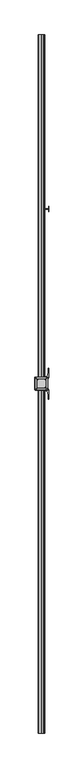
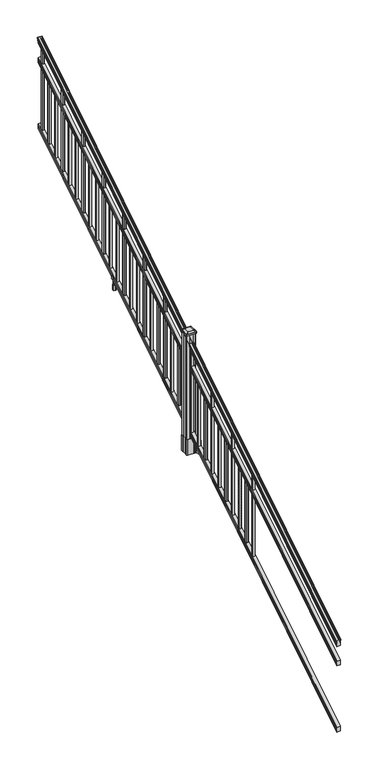
"""IFC4 building model written with IfcOpenShell, lengths in millimetres: railing geometry."""

from ifc_helpers import new_model, si_unit, point, frame, frame_2d, origin, place, context, project, spatial, polyline, circle_curve, ellipse_curve, trimmed, segment, composite_curve, outline, extrude, faceted_brep, source, transform, mapped, element, save
from ifc_brep_helpers import plane_surface, cylinder_surface, revolved_surface, extruded_surface, advanced_brep


def railing_0a3d0375(model_context):
    return source(origin(), model_context, "Body", "SolidModel", [
        advanced_brep(
        [(7294.632944, -115957.2628453, 1133.2070492), (7297.2067728, -115957.2628453, 1133.2070492), (7297.2067728, -115957.2628453, 1120.6394336), (7296.1907728, -115957.2628453, 1119.441318), (7296.1907728, -115957.2628453, 1104.9), (7327.9407728, -115957.2628453, 1104.9), (7327.9407728, -115957.2628453, 1119.6274214), (7326.9247728, -115957.2628453, 1120.825537), (7326.9247728, -115957.2628453, 1133.2070492), (7329.4986015, -115957.2628453, 1133.2070492), (7329.4986015, -115957.2628453, 1135.4335658), (7330.6287878, -115957.2628453, 1137.2758543), (7330.6287878, -115957.2628453, 1145.7876358), (7329.9795314, -115957.2628453, 1148.6572588), (7332.4795314, -115957.2628453, 1153.7635509), (7333.8888739, -115957.2628453, 1155.7442021), (7334.2907729, -115957.2628453, 1157.0469579), (7334.2907728, -115957.2628453, 1158.6274846), (7332.7373255, -115957.2628453, 1160.4593836), (7312.0657728, -115957.2628453, 1160.4593836), (7291.39422, -115957.2628453, 1160.4593836), (7289.8407728, -115957.2628453, 1158.6274846), (7289.8407728, -115957.2628453, 1157.0469579), (7290.2426717, -115957.2628453, 1155.7442021), (7291.6520141, -115957.2628453, 1153.7635509), (7294.1520141, -115957.2628453, 1148.6572588), (7293.5027577, -115957.2628453, 1145.7876358), (7293.5027577, -115957.2628453, 1137.2758543), (7294.632944, -115957.2628453, 1135.4335658), (7294.632944, -111080.4628453, 4181.2070492), (7294.632944, -111080.4628453, 4183.4335658), (7293.5027577, -111080.4628453, 4185.2758543), (7293.5027577, -111080.4628453, 4193.7876358), (7294.1520141, -111080.4628453, 4196.6572588), (7291.6520141, -111080.4628453, 4201.7635509), (7290.2426717, -111080.4628453, 4203.7442021), (7289.8407727, -111080.4628453, 4205.0469579), (7289.8407728, -111080.4628453, 4206.6274846), (7291.39422, -111080.4628453, 4208.4593836), (7312.0657728, -111080.4628453, 4208.4593836), (7332.7373255, -111080.4628453, 4208.4593836), (7334.2907728, -111080.4628453, 4206.6274846), (7334.2907728, -111080.4628453, 4205.0469579), (7333.8888739, -111080.4628453, 4203.7442021), (7332.4795314, -111080.4628453, 4201.7635509), (7329.9795314, -111080.4628453, 4196.6572588), (7330.6287878, -111080.4628453, 4193.7876358), (7330.6287878, -111080.4628453, 4185.2758543), (7329.4986015, -111080.4628453, 4183.4335658), (7329.4986015, -111080.4628453, 4181.2070492), (7326.9247728, -111080.4628453, 4181.2070492), (7326.9247728, -111080.4628453, 4168.825537), (7327.9407728, -111080.4628453, 4167.6274214), (7327.9407728, -111080.4628453, 4152.9), (7296.1907728, -111080.4628453, 4152.9), (7296.1907728, -111080.4628453, 4167.441318), (7297.2067728, -111080.4628453, 4168.6394336), (7297.2067728, -111080.4628453, 4181.2070492)],
        [
            (0, 1, ellipse_curve(frame((7295.9198584, -115957.2628453, 1133.2070492), z_axis=(0.0, -1.0, 0.0), x_axis=(0.0, 0.0, -1.0)), 1.5175907, 1.2869144)),
            (1, 2),
            (2, 3),
            (3, 4),
            (4, 5),
            (5, 6),
            (6, 7),
            (7, 8),
            (8, 9, ellipse_curve(frame((7328.2116871, -115957.2628453, 1133.2070492), z_axis=(0.0, -1.0, 0.0), x_axis=(0.0, 0.0, -1.0)), 1.5175907, 1.2869144)),
            (9, 10),
            (10, 11, ellipse_curve(frame((7323.1838482, -115957.2628453, 1142.2239405), z_axis=(0.0, -1.0, 0.0), x_axis=(0.0, 0.0, -1.0)), 10.0777926, 8.545951)),
            (11, 12, ellipse_curve(frame((7323.6209112, -115957.2628453, 1141.5317451), z_axis=(0.0, -1.0, 0.0), x_axis=(0.0, 0.0, -1.0)), 9.2955186, 7.882584)),
            (12, 13, ellipse_curve(frame((7334.1342353, -115957.2628453, 1148.4275077), z_axis=(0.0, 1.0, 0.0), x_axis=(0.0, 0.0, 1.0)), 4.9048088, 4.1592695)),
            (13, 14, ellipse_curve(frame((7335.4215419, -115957.2628453, 1148.3563208), z_axis=(0.0, 1.0, 0.0), x_axis=(0.0, 0.0, 1.0)), 6.4245301, 5.4479907)),
            (14, 15, ellipse_curve(frame((7334.1883834, -115957.2628453, 1153.7602333), z_axis=(0.0, 1.0, 0.0), x_axis=(0.0, 0.0, 1.0)), 2.0151625, 1.7088543)),
            (15, 16, ellipse_curve(frame((7332.5714833, -115957.2628453, 1157.0469579), z_axis=(0.0, -1.0, 0.0), x_axis=(0.0, 0.0, -1.0)), 2.0274681, 1.7192895)),
            (16, 17),
            (17, 18, ellipse_curve(frame((7332.7373255, -115957.2628453, 1158.6274846), z_axis=(0.0, -1.0, 0.0), x_axis=(0.0, 0.0, -1.0)), 1.831899, 1.5534472)),
            (18, 19),
            (19, 20),
            (20, 21, ellipse_curve(frame((7291.39422, -115957.2628453, 1158.6274846), z_axis=(0.0, -1.0, 0.0), x_axis=(0.0, 0.0, -1.0)), 1.831899, 1.5534472)),
            (21, 22),
            (22, 23, ellipse_curve(frame((7291.5600622, -115957.2628453, 1157.0469579), z_axis=(0.0, -1.0, 0.0), x_axis=(0.0, 0.0, -1.0)), 2.0274681, 1.7192895)),
            (23, 24, ellipse_curve(frame((7289.9431621, -115957.2628453, 1153.7602333), z_axis=(0.0, 1.0, 0.0), x_axis=(0.0, 0.0, 1.0)), 2.0151625, 1.7088543)),
            (24, 25, ellipse_curve(frame((7288.7100037, -115957.2628453, 1148.3563208), z_axis=(0.0, 1.0, 0.0), x_axis=(0.0, 0.0, 1.0)), 6.4245301, 5.4479907)),
            (25, 26, ellipse_curve(frame((7289.9973102, -115957.2628453, 1148.4275077), z_axis=(0.0, 1.0, 0.0), x_axis=(0.0, 0.0, 1.0)), 4.9048088, 4.1592695)),
            (26, 27, ellipse_curve(frame((7300.5106343, -115957.2628453, 1141.5317451), z_axis=(0.0, -1.0, 0.0), x_axis=(0.0, 0.0, -1.0)), 9.2955186, 7.882584)),
            (27, 28, ellipse_curve(frame((7300.9476973, -115957.2628453, 1142.2239405), z_axis=(0.0, -1.0, 0.0), x_axis=(0.0, 0.0, -1.0)), 10.0777926, 8.545951)),
            (28, 0),
            (29, 30),
            (30, 31, ellipse_curve(frame((7300.9476973, -111080.4628453, 4190.2239405), z_axis=(0.0, 1.0, 0.0), x_axis=(0.0, 0.0, -1.0)), 10.0777926, 8.545951)),
            (31, 32, ellipse_curve(frame((7300.5106343, -111080.4628453, 4189.5317451), z_axis=(0.0, 1.0, 0.0), x_axis=(0.0, 0.0, -1.0)), 9.2955186, 7.882584)),
            (32, 33, ellipse_curve(frame((7289.9973102, -111080.4628453, 4196.4275077), z_axis=(0.0, -1.0, 0.0), x_axis=(0.0, 0.0, 1.0)), 4.9048088, 4.1592695)),
            (33, 34, ellipse_curve(frame((7288.7100037, -111080.4628453, 4196.3563208), z_axis=(0.0, -1.0, 0.0), x_axis=(0.0, 0.0, 1.0)), 6.4245301, 5.4479907)),
            (34, 35, ellipse_curve(frame((7289.9431621, -111080.4628453, 4201.7602333), z_axis=(0.0, -1.0, 0.0), x_axis=(0.0, 0.0, 1.0)), 2.0151625, 1.7088543)),
            (35, 36, ellipse_curve(frame((7291.5600622, -111080.4628453, 4205.0469579), z_axis=(0.0, 1.0, 0.0), x_axis=(0.0, 0.0, -1.0)), 2.0274681, 1.7192895)),
            (36, 37),
            (37, 38, ellipse_curve(frame((7291.39422, -111080.4628453, 4206.6274846), z_axis=(0.0, 1.0, 0.0), x_axis=(0.0, 0.0, -1.0)), 1.831899, 1.5534472)),
            (38, 39),
            (39, 40),
            (40, 41, ellipse_curve(frame((7332.7373255, -111080.4628453, 4206.6274846), z_axis=(0.0, 1.0, 0.0), x_axis=(0.0, 0.0, -1.0)), 1.831899, 1.5534472)),
            (41, 42),
            (42, 43, ellipse_curve(frame((7332.5714833, -111080.4628453, 4205.0469579), z_axis=(0.0, 1.0, 0.0), x_axis=(0.0, 0.0, -1.0)), 2.0274681, 1.7192895)),
            (43, 44, ellipse_curve(frame((7334.1883834, -111080.4628453, 4201.7602333), z_axis=(0.0, -1.0, 0.0), x_axis=(0.0, 0.0, 1.0)), 2.0151625, 1.7088543)),
            (44, 45, ellipse_curve(frame((7335.4215419, -111080.4628453, 4196.3563208), z_axis=(0.0, -1.0, 0.0), x_axis=(0.0, 0.0, 1.0)), 6.4245301, 5.4479907)),
            (45, 46, ellipse_curve(frame((7334.1342353, -111080.4628453, 4196.4275077), z_axis=(0.0, -1.0, 0.0), x_axis=(0.0, 0.0, 1.0)), 4.9048088, 4.1592695)),
            (46, 47, ellipse_curve(frame((7323.6209112, -111080.4628453, 4189.5317451), z_axis=(0.0, 1.0, 0.0), x_axis=(0.0, 0.0, -1.0)), 9.2955186, 7.882584)),
            (47, 48, ellipse_curve(frame((7323.1838482, -111080.4628453, 4190.2239405), z_axis=(0.0, 1.0, 0.0), x_axis=(0.0, 0.0, -1.0)), 10.0777926, 8.545951)),
            (48, 49),
            (49, 50, ellipse_curve(frame((7328.2116871, -111080.4628453, 4181.2070492), z_axis=(0.0, 1.0, 0.0), x_axis=(0.0, 0.0, -1.0)), 1.5175907, 1.2869144)),
            (50, 51),
            (51, 52),
            (52, 53),
            (53, 54),
            (54, 55),
            (55, 56),
            (56, 57),
            (57, 29, ellipse_curve(frame((7295.9198584, -111080.4628453, 4181.2070492), z_axis=(0.0, 1.0, 0.0), x_axis=(0.0, 0.0, -1.0)), 1.5175907, 1.2869144)),
            (28, 30),
            (29, 0),
            (27, 31),
            (26, 32),
            (25, 33),
            (24, 34),
            (23, 35),
            (22, 36),
            (21, 37),
            (20, 38),
            (19, 39),
            (18, 40),
            (17, 41),
            (16, 42),
            (15, 43),
            (14, 44),
            (13, 45),
            (12, 46),
            (11, 47),
            (10, 48),
            (9, 49),
            (8, 50),
            (7, 51),
            (6, 52),
            (5, 53),
            (4, 54),
            (3, 55),
            (2, 56),
            (1, 57),
        ],
        [
            plane_surface(frame((7312.0657728, -115957.2628453, 1104.9), z_axis=(0.0, -1.0, 0.0), x_axis=(0.0, 0.0, 1.0))),
            plane_surface(frame((7312.0657728, -111080.4628453, 4152.9), z_axis=(0.0, 1.0, 0.0), x_axis=(0.0, 0.0, 1.0))),
            plane_surface(frame((7294.632944, -115957.2628453, 1135.4335658), z_axis=(-1.0, 0.0, 0.0), x_axis=(0.0, 0.8479983040051252, 0.5299989400031204))),
            cylinder_surface(frame((7300.9476973, -115974.03765, 1131.7396876), z_axis=(0.0, -0.8479983040051253, -0.5299989400031204), x_axis=(1.0, 0.0, 0.0)), 8.545951),
            cylinder_surface(frame((7300.5106343, -115973.7265509, 1131.241929), z_axis=(0.0, -0.8479983040051253, -0.5299989400031204), x_axis=(1.0, 0.0, 0.0)), 7.882584),
            revolved_surface(polyline([(7294.1565797, -111078.25843685034, 4197.805262980552), (7294.1565797, -115959.46725374945, 1147.0497524190953)]), (7289.9973102, -115976.8257701, 1136.2006797), (0.0, 0.8479983040051253, 0.5299989400031204)),
            revolved_surface(polyline([(7294.1579944000005, -111077.57541603575, 4198.160964077185), (7294.1579944000005, -115960.15027455281, 1146.551677504493)]), (7288.7100037, -115976.793776, 1136.1494891), (0.0, 0.8479983040051253, 0.5299989400031204)),
            revolved_surface(polyline([(7291.6520164, -111079.55715429978, 4202.326290199651), (7291.6520164, -115958.16853632247, 1153.1941764359478)]), (7289.9431621, -115979.2225007, 1140.0354487), (0.0, 0.8479983040051253, 0.5299989400031204)),
            cylinder_surface(frame((7291.5600622, -115980.6996803, 1142.398936), z_axis=(0.0, -0.8479983040051253, -0.5299989400031204), x_axis=(1.0, 0.0, 0.0)), 1.7192895),
            plane_surface(frame((7289.8407728, -115957.2628453, 1158.6274846), z_axis=(-1.0, 0.0, 0.0), x_axis=(0.0, 0.8479983040051252, 0.5299989400031204))),
            cylinder_surface(frame((7291.39422, -115981.4100294, 1143.5354945), z_axis=(0.0, -0.8479983040051253, -0.5299989400031204), x_axis=(1.0, 0.0, 0.0)), 1.5534472),
            plane_surface(frame((7312.0657728, -115957.2628453, 1160.4593836), z_axis=(0.0, -0.5299989400031204, 0.8479983040051252), x_axis=(0.0, 0.8479983040051252, 0.5299989400031204))),
            plane_surface(frame((7332.7373255, -115957.2628453, 1160.4593836), z_axis=(0.0, -0.5299989400031204, 0.8479983040051252), x_axis=(0.0, 0.8479983040051252, 0.5299989400031204))),
            cylinder_surface(frame((7332.7373255, -115981.4100294, 1143.5354945), z_axis=(0.0, -0.8479983040051253, -0.5299989400031204), x_axis=(-1.0, 0.0, 0.0)), 1.5534472),
            plane_surface(frame((7334.2907728, -115957.2628453, 1157.0469579), z_axis=(1.0000000000000002, 0.0, 0.0), x_axis=(0.0, 0.8479983040051253, 0.5299989400031204))),
            cylinder_surface(frame((7332.5714833, -115980.6996803, 1142.398936), z_axis=(0.0, -0.8479983040051253, -0.5299989400031204), x_axis=(-1.0, 0.0, 0.0)), 1.7192895),
            revolved_surface(polyline([(7332.4795291, -111079.55715429978, 4202.326290199651), (7332.4795291, -115958.16853632247, 1153.1941764359478)]), (7334.1883834, -115979.2225007, 1140.0354487), (0.0, 0.8479983040051253, 0.5299989400031204)),
            revolved_surface(polyline([(7329.9735512, -111077.57541603575, 4198.160964077185), (7329.9735512, -115960.15027455281, 1146.551677504493)]), (7335.4215419, -115976.793776, 1136.1494891), (0.0, 0.8479983040051253, 0.5299989400031204)),
            revolved_surface(polyline([(7329.9749658, -111078.25843685034, 4197.805262980552), (7329.9749658, -115959.46725374945, 1147.0497524190953)]), (7334.1342353, -115976.8257701, 1136.2006797), (0.0, 0.8479983040051253, 0.5299989400031204)),
            cylinder_surface(frame((7323.6209112, -115973.7265509, 1131.241929), z_axis=(0.0, -0.8479983040051253, -0.5299989400031204), x_axis=(-1.0, 0.0, 0.0)), 7.882584),
            cylinder_surface(frame((7323.1838482, -115974.03765, 1131.7396876), z_axis=(0.0, -0.8479983040051253, -0.5299989400031204), x_axis=(-1.0, 0.0, 0.0)), 8.545951),
            plane_surface(frame((7329.4986015, -115957.2628453, 1133.2070492), z_axis=(1.0, 0.0, 0.0), x_axis=(0.0, 0.8479983040051252, 0.5299989400031204))),
            cylinder_surface(frame((7328.2116871, -115969.9851146, 1125.2556309), z_axis=(0.0, -0.8479983040051253, -0.5299989400031204), x_axis=(-1.0, 0.0, 0.0)), 1.2869144),
            plane_surface(frame((7326.9247728, -115957.2628453, 1120.825537), z_axis=(1.0, 0.0, 0.0), x_axis=(0.0, 0.8479983040051252, 0.5299989400031204))),
            plane_surface(frame((7327.9407728, -115957.2628453, 1119.6274214), z_axis=(0.7071067811865426, -0.3747658444978921, 0.5996253511967194), x_axis=(0.0, 0.8479983040051253, 0.5299989400031204))),
            plane_surface(frame((7327.9407728, -115957.2628453, 1104.9), z_axis=(1.0, 0.0, 0.0), x_axis=(0.0, 0.8479983040051252, 0.5299989400031204))),
            plane_surface(frame((7296.1907728, -115957.2628453, 1104.9), z_axis=(0.0, 0.5299989400031204, -0.8479983040051252), x_axis=(0.0, 0.8479983040051252, 0.5299989400031204))),
            plane_surface(frame((7296.1907728, -115957.2628453, 1119.441318), z_axis=(-1.0000000000000002, 0.0, 0.0), x_axis=(0.0, 0.8479983040051253, 0.5299989400031204))),
            plane_surface(frame((7297.2067728, -115957.2628453, 1120.6394336), z_axis=(-0.7071067811865401, -0.3747658444978918, 0.5996253511967223), x_axis=(0.0, 0.8479983040051253, 0.5299989400031204))),
            plane_surface(frame((7297.2067728, -115957.2628453, 1133.2070492), z_axis=(-1.0, 0.0, 0.0), x_axis=(0.0, 0.8479983040051252, 0.5299989400031204))),
            cylinder_surface(frame((7295.9198584, -115969.9851146, 1125.2556309), z_axis=(0.0, -0.8479983040051253, -0.5299989400031204), x_axis=(1.0, 0.0, 0.0)), 1.2869144),
        ],
        [
            (0, [[1, 2, 3, 4, 5, 6, 7, 8, 9, 10, 11, 12, 13, 14, 15, 16, 17, 18, 19, 20, 21, 22, 23, 24, 25, 26, 27, 28, 29]]),
            (1, [[30, 31, 32, 33, 34, 35, 36, 37, 38, 39, 40, 41, 42, 43, 44, 45, 46, 47, 48, 49, 50, 51, 52, 53, 54, 55, 56, 57, 58]]),
            (2, [[-29, 59, -30, 60]]),
            (3, [[-28, 61, -31, -59]]),
            (4, [[-27, 62, -32, -61]]),
            (5, [[-26, 63, -33, -62]]),
            (6, [[-25, 64, -34, -63]]),
            (7, [[-24, 65, -35, -64]]),
            (8, [[-23, 66, -36, -65]]),
            (9, [[-22, 67, -37, -66]]),
            (10, [[-21, 68, -38, -67]]),
            (11, [[-20, 69, -39, -68]]),
            (12, [[-19, 70, -40, -69]]),
            (13, [[-18, 71, -41, -70]]),
            (14, [[-17, 72, -42, -71]]),
            (15, [[-16, 73, -43, -72]]),
            (16, [[-15, 74, -44, -73]]),
            (17, [[-14, 75, -45, -74]]),
            (18, [[-13, 76, -46, -75]]),
            (19, [[-12, 77, -47, -76]]),
            (20, [[-11, 78, -48, -77]]),
            (21, [[-10, 79, -49, -78]]),
            (22, [[-9, 80, -50, -79]]),
            (23, [[-8, 81, -51, -80]]),
            (24, [[-7, 82, -52, -81]]),
            (25, [[-6, 83, -53, -82]]),
            (26, [[-5, 84, -54, -83]]),
            (27, [[-4, 85, -55, -84]]),
            (28, [[-3, 86, -56, -85]]),
            (29, [[-2, 87, -57, -86]]),
            (30, [[-1, -60, -58, -87]]),
        ],
    ),
        faceted_brep([(7296.1532859, -115957.2628453, 929.2045079), (7296.1532859, -115957.2628453, 914.4), (7327.9032859, -115957.2628453, 914.4), (7327.9032859, -115957.2628453, 929.1848772), (7326.8872859, -115957.2628453, 930.7748303), (7326.8872859, -115957.2628453, 942.9348741), (7327.9032859, -115957.2628453, 944.5248272), (7327.9032859, -115957.2628453, 959.3244744), (7296.1532859, -115957.2628453, 959.3244744), (7296.1532859, -115957.2628453, 944.5444579), (7297.1692859, -115957.2628453, 942.9545048), (7297.1692859, -115957.2628453, 930.738026), (7296.1532859, -111080.4628453, 3977.2045079), (7297.1692859, -111080.4628453, 3978.738026), (7297.1692859, -111080.4628453, 3990.9545048), (7296.1532859, -111080.4628453, 3992.5444579), (7296.1532859, -111080.4628453, 4007.3244744), (7327.9032859, -111080.4628453, 4007.3244744), (7327.9032859, -111080.4628453, 3992.5248272), (7326.8872859, -111080.4628453, 3990.9348741), (7326.8872859, -111080.4628453, 3978.7748303), (7327.9032859, -111080.4628453, 3977.1848772), (7327.9032859, -111080.4628453, 3962.4), (7296.1532859, -111080.4628453, 3962.4)], [[[0, 1, 2, 3, 4, 5, 6, 7, 8, 9, 10, 11]], [[12, 13, 14, 15, 16, 17, 18, 19, 20, 21, 22, 23]], [[0, 11, 13, 12]], [[11, 10, 14, 13]], [[10, 9, 15, 14]], [[9, 8, 16, 15]], [[8, 7, 17, 16]], [[7, 6, 18, 17]], [[6, 5, 19, 18]], [[5, 4, 20, 19]], [[4, 3, 21, 20]], [[3, 2, 22, 21]], [[2, 1, 23, 22]], [[1, 0, 12, 23]]]),
        faceted_brep([(7296.1532859, -115957.2628453, 268.8045079), (7296.1532859, -115957.2628453, 254.0), (7327.9032859, -115957.2628453, 254.0), (7327.9032859, -115957.2628453, 268.7848772), (7326.8872859, -115957.2628453, 270.3748303), (7326.8872859, -115957.2628453, 282.5348741), (7327.9032859, -115957.2628453, 284.1248272), (7327.9032859, -115957.2628453, 298.9244744), (7296.1532859, -115957.2628453, 298.9244744), (7296.1532859, -115957.2628453, 284.1444579), (7297.1692859, -115957.2628453, 282.5545048), (7297.1692859, -115957.2628453, 270.338026), (7296.1532859, -111080.4628453, 3316.8045079), (7297.1692859, -111080.4628453, 3318.338026), (7297.1692859, -111080.4628453, 3330.5545048), (7296.1532859, -111080.4628453, 3332.1444579), (7296.1532859, -111080.4628453, 3346.9244744), (7327.9032859, -111080.4628453, 3346.9244744), (7327.9032859, -111080.4628453, 3332.1248272), (7326.8872859, -111080.4628453, 3330.5348741), (7326.8872859, -111080.4628453, 3318.3748303), (7327.9032859, -111080.4628453, 3316.7848772), (7327.9032859, -111080.4628453, 3302.0), (7296.1532859, -111080.4628453, 3302.0)], [[[0, 1, 2, 3, 4, 5, 6, 7, 8, 9, 10, 11]], [[12, 13, 14, 15, 16, 17, 18, 19, 20, 21, 22, 23]], [[1, 0, 12, 23]], [[7, 6, 18, 17]], [[9, 8, 16, 15]], [[11, 10, 14, 13]], [[2, 1, 23, 22]], [[3, 2, 22, 21]], [[4, 3, 21, 20]], [[5, 4, 20, 19]], [[6, 5, 19, 18]], [[8, 7, 17, 16]], [[10, 9, 15, 14]], [[0, 11, 13, 12]]]),
        extrude(outline(polyline([(7302.5407728, -111137.2318453), (7302.5407728, -111118.1818453), (7321.5907728, -111118.1818453), (7321.5907728, -111137.2318453), (7302.5407728, -111137.2318453)]), holes=[polyline([(7302.9376478, -111136.8349703), (7321.1938978, -111136.8349703), (7321.1938978, -111118.5787203), (7302.9376478, -111118.5787203), (7302.9376478, -111136.8349703)])]), frame((0.0, 0.0, 3310.5683781), z_axis=(0.0, 0.0, 1.0), x_axis=(1.0, 0.0, 0.0)), (0.0, 0.0, 1.0), 812.8041219),
        extrude(outline(polyline([(7302.5407728, -111248.4838453), (7302.5407728, -111229.4338453), (7321.5907728, -111229.4338453), (7321.5907728, -111248.4838453), (7302.5407728, -111248.4838453)]), holes=[polyline([(7302.9376478, -111248.0869703), (7321.1938978, -111248.0869703), (7321.1938978, -111229.8307203), (7302.9376478, -111229.8307203), (7302.9376478, -111248.0869703)])]), frame((0.0, 0.0, 3241.0358781), z_axis=(0.0, 0.0, 1.0), x_axis=(1.0, 0.0, 0.0)), (0.0, 0.0, 1.0), 622.3041219),
        extrude(outline(polyline([(7302.5407728, -111359.7358453), (7302.5407728, -111340.6858453), (7321.5907728, -111340.6858453), (7321.5907728, -111359.7358453), (7302.5407728, -111359.7358453)]), holes=[polyline([(7302.9376478, -111359.3389703), (7321.1938978, -111359.3389703), (7321.1938978, -111341.0827203), (7302.9376478, -111341.0827203), (7302.9376478, -111359.3389703)])]), frame((0.0, 0.0, 3171.5033781), z_axis=(0.0, 0.0, 1.0), x_axis=(1.0, 0.0, 0.0)), (0.0, 0.0, 1.0), 622.3041219),
        extrude(outline(polyline([(7302.5407728, -111470.9878453), (7302.5407728, -111451.9378453), (7321.5907728, -111451.9378453), (7321.5907728, -111470.9878453), (7302.5407728, -111470.9878453)]), holes=[polyline([(7302.9376478, -111470.5909703), (7321.1938978, -111470.5909703), (7321.1938978, -111452.3347203), (7302.9376478, -111452.3347203), (7302.9376478, -111470.5909703)])]), frame((0.0, 0.0, 3101.9708781), z_axis=(0.0, 0.0, 1.0), x_axis=(1.0, 0.0, 0.0)), (0.0, 0.0, 1.0), 812.8041219),
        extrude(outline(polyline([(7302.5407728, -111582.2398453), (7302.5407728, -111563.1898453), (7321.5907728, -111563.1898453), (7321.5907728, -111582.2398453), (7302.5407728, -111582.2398453)]), holes=[polyline([(7302.9376478, -111581.8429703), (7321.1938978, -111581.8429703), (7321.1938978, -111563.5867203), (7302.9376478, -111563.5867203), (7302.9376478, -111581.8429703)])]), frame((0.0, 0.0, 3032.4383781), z_axis=(0.0, 0.0, 1.0), x_axis=(1.0, 0.0, 0.0)), (0.0, 0.0, 1.0), 622.3041219),
        extrude(outline(polyline([(7302.5407728, -111693.4918453), (7302.5407728, -111674.4418453), (7321.5907728, -111674.4418453), (7321.5907728, -111693.4918453), (7302.5407728, -111693.4918453)]), holes=[polyline([(7302.9376478, -111693.0949703), (7321.1938978, -111693.0949703), (7321.1938978, -111674.8387203), (7302.9376478, -111674.8387203), (7302.9376478, -111693.0949703)])]), frame((0.0, 0.0, 2962.9058781), z_axis=(0.0, 0.0, 1.0), x_axis=(1.0, 0.0, 0.0)), (0.0, 0.0, 1.0), 622.3041219),
        extrude(outline(polyline([(7302.5407728, -111804.7438453), (7302.5407728, -111785.6938453), (7321.5907728, -111785.6938453), (7321.5907728, -111804.7438453), (7302.5407728, -111804.7438453)]), holes=[polyline([(7302.9376478, -111804.3469703), (7321.1938978, -111804.3469703), (7321.1938978, -111786.0907203), (7302.9376478, -111786.0907203), (7302.9376478, -111804.3469703)])]), frame((0.0, 0.0, 2893.3733781), z_axis=(0.0, 0.0, 1.0), x_axis=(1.0, 0.0, 0.0)), (0.0, 0.0, 1.0), 812.8041219),
        extrude(outline(polyline([(7302.5407728, -111915.9958453), (7302.5407728, -111896.9458453), (7321.5907728, -111896.9458453), (7321.5907728, -111915.9958453), (7302.5407728, -111915.9958453)]), holes=[polyline([(7302.9376478, -111915.5989703), (7321.1938978, -111915.5989703), (7321.1938978, -111897.3427203), (7302.9376478, -111897.3427203), (7302.9376478, -111915.5989703)])]), frame((0.0, 0.0, 2823.8408781), z_axis=(0.0, 0.0, 1.0), x_axis=(1.0, 0.0, 0.0)), (0.0, 0.0, 1.0), 622.3041219),
        extrude(outline(polyline([(7302.5407728, -112027.2478453), (7302.5407728, -112008.1978453), (7321.5907728, -112008.1978453), (7321.5907728, -112027.2478453), (7302.5407728, -112027.2478453)]), holes=[polyline([(7302.9376478, -112026.8509703), (7321.1938978, -112026.8509703), (7321.1938978, -112008.5947203), (7302.9376478, -112008.5947203), (7302.9376478, -112026.8509703)])]), frame((0.0, 0.0, 2754.3083781), z_axis=(0.0, 0.0, 1.0), x_axis=(1.0, 0.0, 0.0)), (0.0, 0.0, 1.0), 622.3041219),
        extrude(outline(polyline([(7302.5407728, -112138.4998453), (7302.5407728, -112119.4498453), (7321.5907728, -112119.4498453), (7321.5907728, -112138.4998453), (7302.5407728, -112138.4998453)]), holes=[polyline([(7302.9376478, -112138.1029703), (7321.1938978, -112138.1029703), (7321.1938978, -112119.8467203), (7302.9376478, -112119.8467203), (7302.9376478, -112138.1029703)])]), frame((0.0, 0.0, 2684.7758781), z_axis=(0.0, 0.0, 1.0), x_axis=(1.0, 0.0, 0.0)), (0.0, 0.0, 1.0), 812.8041219),
        extrude(outline(polyline([(7302.5407728, -112249.7518453), (7302.5407728, -112230.7018453), (7321.5907728, -112230.7018453), (7321.5907728, -112249.7518453), (7302.5407728, -112249.7518453)]), holes=[polyline([(7302.9376478, -112249.3549703), (7321.1938978, -112249.3549703), (7321.1938978, -112231.0987203), (7302.9376478, -112231.0987203), (7302.9376478, -112249.3549703)])]), frame((0.0, 0.0, 2615.2433781), z_axis=(0.0, 0.0, 1.0), x_axis=(1.0, 0.0, 0.0)), (0.0, 0.0, 1.0), 622.3041219),
        extrude(outline(polyline([(7322.7337726, -112297.1228453), (7322.7337726, -112294.5828453), (7362.1037728, -112294.5828453), (7362.1037728, -112297.1228453), (7322.7337726, -112297.1228453)])), frame((0.0, 0.0, 2428.08125), z_axis=(0.0, 0.0, 1.0), x_axis=(1.0, 0.0, 0.0)), (0.0, 0.0, 1.0), 50.8),
        extrude(outline(polyline([(7362.1037728, -112314.9028453), (7362.1037728, -112276.8028453), (7364.6437728, -112276.8028453), (7364.6437728, -112314.9028453), (7362.1037728, -112314.9028453)])), frame((0.0, 0.0, 2428.08125), z_axis=(0.0, 0.0, 1.0), x_axis=(1.0, 0.0, 0.0)), (0.0, 0.0, 1.0), 50.8),
        extrude(outline(polyline([(7301.397772, -112305.7588453), (7301.397772, -112285.9468453), (7322.7337726, -112285.9468453), (7322.7337726, -112305.7588453), (7301.397772, -112305.7588453)]), holes=[polyline([(7304.6997721, -112303.2188453), (7319.4317725, -112303.2188453), (7319.4317725, -112288.4868453), (7304.6997721, -112288.4868453), (7304.6997721, -112303.2188453)])]), frame((0.0, 0.0, 2428.08125), z_axis=(0.0, 0.0, 1.0), x_axis=(1.0, 0.0, 0.0)), (0.0, 0.0, 1.0), 50.8),
        extrude(outline(polyline([(2567.6016479, 7330.2267716), (2567.6016479, 7328.194772), (2566.5856453, 7327.1787722), (2556.1498581, 7327.1787722), (2555.1338573, 7328.194772), (2543.143251, 7328.194772), (2542.3812519, 7327.4327729), (2542.3812519, 7296.6987717), (2543.143251, 7295.9367726), (2555.1338573, 7295.9367726), (2556.1498581, 7296.9527724), (2566.5856453, 7296.9527724), (2567.6016479, 7295.9367726), (2567.6016479, 7293.904773), (2566.8396469, 7293.142772), (2540.3492523, 7293.142772), (2539.5872513, 7293.904773), (2539.5872513, 7303.937772), (2538.8252512, 7304.6997721), (2475.3252512, 7304.6997721), (2475.3252512, 7319.4317725), (2538.8252512, 7319.4317725), (2539.5872513, 7320.1937726), (2539.5872513, 7330.2267716), (2540.3492523, 7330.9887726), (2566.8396469, 7330.9887726), (2567.6016479, 7330.2267716)]), holes=[polyline([(2539.5872513, 7308.6367724), (2539.5872513, 7315.4947722), (2538.8252512, 7316.2567723), (2482.8182503, 7316.2567723), (2482.0562531, 7315.4947751), (2482.0562531, 7308.6367724), (2482.8182531, 7307.8747723), (2538.8252512, 7307.8747723), (2539.5872513, 7308.6367724)])]), frame((0.0, -112303.2188453, 0.0), z_axis=(0.0, 1.0, 0.0), x_axis=(0.0, 0.0, 1.0)), (0.0, 0.0, 1.0), 14.732),
        extrude(outline(polyline([(7302.5407728, -112361.0038453), (7302.5407728, -112341.9538453), (7321.5907728, -112341.9538453), (7321.5907728, -112361.0038453), (7302.5407728, -112361.0038453)]), holes=[polyline([(7302.9376478, -112360.6069703), (7321.1938978, -112360.6069703), (7321.1938978, -112342.3507203), (7302.9376478, -112342.3507203), (7302.9376478, -112360.6069703)])]), frame((0.0, 0.0, 2545.7108781), z_axis=(0.0, 0.0, 1.0), x_axis=(1.0, 0.0, 0.0)), (0.0, 0.0, 1.0), 622.3041219),
        extrude(outline(polyline([(7302.5407728, -112472.2558453), (7302.5407728, -112453.2058453), (7321.5907728, -112453.2058453), (7321.5907728, -112472.2558453), (7302.5407728, -112472.2558453)]), holes=[polyline([(7302.9376478, -112471.8589703), (7321.1938978, -112471.8589703), (7321.1938978, -112453.6027203), (7302.9376478, -112453.6027203), (7302.9376478, -112471.8589703)])]), frame((0.0, 0.0, 2476.1783781), z_axis=(0.0, 0.0, 1.0), x_axis=(1.0, 0.0, 0.0)), (0.0, 0.0, 1.0), 812.8041219),
        extrude(outline(polyline([(7302.5407728, -112583.5078453), (7302.5407728, -112564.4578453), (7321.5907728, -112564.4578453), (7321.5907728, -112583.5078453), (7302.5407728, -112583.5078453)]), holes=[polyline([(7302.9376478, -112583.1109703), (7321.1938978, -112583.1109703), (7321.1938978, -112564.8547203), (7302.9376478, -112564.8547203), (7302.9376478, -112583.1109703)])]), frame((0.0, 0.0, 2406.6458781), z_axis=(0.0, 0.0, 1.0), x_axis=(1.0, 0.0, 0.0)), (0.0, 0.0, 1.0), 622.3041219),
        extrude(outline(polyline([(7302.5407728, -112694.7598453), (7302.5407728, -112675.7098453), (7321.5907728, -112675.7098453), (7321.5907728, -112694.7598453), (7302.5407728, -112694.7598453)]), holes=[polyline([(7302.9376478, -112694.3629703), (7321.1938978, -112694.3629703), (7321.1938978, -112676.1067203), (7302.9376478, -112676.1067203), (7302.9376478, -112694.3629703)])]), frame((0.0, 0.0, 2337.1133781), z_axis=(0.0, 0.0, 1.0), x_axis=(1.0, 0.0, 0.0)), (0.0, 0.0, 1.0), 622.3041219),
        extrude(outline(polyline([(7302.5407728, -112806.0118453), (7302.5407728, -112786.9618453), (7321.5907728, -112786.9618453), (7321.5907728, -112806.0118453), (7302.5407728, -112806.0118453)]), holes=[polyline([(7302.9376478, -112805.6149703), (7321.1938978, -112805.6149703), (7321.1938978, -112787.3587203), (7302.9376478, -112787.3587203), (7302.9376478, -112805.6149703)])]), frame((0.0, 0.0, 2267.5808781), z_axis=(0.0, 0.0, 1.0), x_axis=(1.0, 0.0, 0.0)), (0.0, 0.0, 1.0), 812.8041219),
        extrude(outline(polyline([(7302.5407728, -112917.2638453), (7302.5407728, -112898.2138453), (7321.5907728, -112898.2138453), (7321.5907728, -112917.2638453), (7302.5407728, -112917.2638453)]), holes=[polyline([(7302.9376478, -112916.8669703), (7321.1938978, -112916.8669703), (7321.1938978, -112898.6107203), (7302.9376478, -112898.6107203), (7302.9376478, -112916.8669703)])]), frame((0.0, 0.0, 2198.0483781), z_axis=(0.0, 0.0, 1.0), x_axis=(1.0, 0.0, 0.0)), (0.0, 0.0, 1.0), 622.3041219),
        extrude(outline(polyline([(7302.5407728, -113028.5158453), (7302.5407728, -113009.4658453), (7321.5907728, -113009.4658453), (7321.5907728, -113028.5158453), (7302.5407728, -113028.5158453)]), holes=[polyline([(7302.9376478, -113028.1189703), (7321.1938978, -113028.1189703), (7321.1938978, -113009.8627203), (7302.9376478, -113009.8627203), (7302.9376478, -113028.1189703)])]), frame((0.0, 0.0, 2128.5158781), z_axis=(0.0, 0.0, 1.0), x_axis=(1.0, 0.0, 0.0)), (0.0, 0.0, 1.0), 622.3041219),
        extrude(outline(polyline([(7302.5407728, -113139.7678453), (7302.5407728, -113120.7178453), (7321.5907728, -113120.7178453), (7321.5907728, -113139.7678453), (7302.5407728, -113139.7678453)]), holes=[polyline([(7302.9376478, -113139.3709703), (7321.1938978, -113139.3709703), (7321.1938978, -113121.1147203), (7302.9376478, -113121.1147203), (7302.9376478, -113139.3709703)])]), frame((0.0, 0.0, 2058.9833781), z_axis=(0.0, 0.0, 1.0), x_axis=(1.0, 0.0, 0.0)), (0.0, 0.0, 1.0), 812.8041219),
        extrude(outline(polyline([(7302.5407728, -113251.0198453), (7302.5407728, -113231.9698453), (7321.5907728, -113231.9698453), (7321.5907728, -113251.0198453), (7302.5407728, -113251.0198453)]), holes=[polyline([(7302.9376478, -113250.6229703), (7321.1938978, -113250.6229703), (7321.1938978, -113232.3667203), (7302.9376478, -113232.3667203), (7302.9376478, -113250.6229703)])]), frame((0.0, 0.0, 1989.4508781), z_axis=(0.0, 0.0, 1.0), x_axis=(1.0, 0.0, 0.0)), (0.0, 0.0, 1.0), 622.3041219),
        extrude(outline(polyline([(7302.5407728, -113362.2718453), (7302.5407728, -113343.2218453), (7321.5907728, -113343.2218453), (7321.5907728, -113362.2718453), (7302.5407728, -113362.2718453)]), holes=[polyline([(7302.9376478, -113361.8749703), (7321.1938978, -113361.8749703), (7321.1938978, -113343.6187203), (7302.9376478, -113343.6187203), (7302.9376478, -113361.8749703)])]), frame((0.0, 0.0, 1919.9183781), z_axis=(0.0, 0.0, 1.0), x_axis=(1.0, 0.0, 0.0)), (0.0, 0.0, 1.0), 622.3041219),
        extrude(outline(polyline([(7302.5407728, -113473.5238453), (7302.5407728, -113454.4738453), (7321.5907728, -113454.4738453), (7321.5907728, -113473.5238453), (7302.5407728, -113473.5238453)]), holes=[polyline([(7302.9376478, -113473.1269703), (7321.1938978, -113473.1269703), (7321.1938978, -113454.8707203), (7302.9376478, -113454.8707203), (7302.9376478, -113473.1269703)])]), frame((0.0, 0.0, 1850.3858781), z_axis=(0.0, 0.0, 1.0), x_axis=(1.0, 0.0, 0.0)), (0.0, 0.0, 1.0), 812.8041219),
        extrude(outline(composite_curve([segment(polyline([(7269.3302728, -113533.7089401), (7269.3302728, -113498.9367504), (7267.7427728, -113498.1747504), (7267.7427728, -113475.3728224), (7271.1157498, -113471.9998453), (7332.5754206, -113471.9998453), (7332.5754206, -113471.0790953), (7337.8929645, -113471.0790953), (7337.8929645, -113469.6248406), (7342.9774942, -113469.6248406), (7342.9774942, -113468.3408168), (7344.6447665, -113468.3408168)]), True, "CONTINUOUS"), segment(trimmed(circle_curve(frame_2d((7344.6447665, -113461.2813569)), 7.0594599), [point((7344.6447665, -113468.3408168))], [point((7351.4120293, -113463.2913636))], True, "CARTESIAN"), True, "CONTINUOUS"), segment(polyline([(7351.4120293, -113463.2913636), (7359.2862236, -113436.7806345)]), True, "CONTINUOUS"), segment(trimmed(circle_curve(frame_2d((7304.5017103, -113420.5085848)), 57.15), [point((7359.2862236, -113436.7806345))], [point((7361.6517103, -113420.5085848))], True, "CARTESIAN"), True, "CONTINUOUS"), segment(polyline([(7361.6517103, -113420.5085848), (7361.6517103, -113408.4998453), (7364.6517103, -113408.4998453), (7364.6517103, -113473.5873453), (7356.3887728, -113484.9256366), (7356.3887728, -113498.1747504), (7354.8012728, -113498.9367504), (7354.8012728, -113533.7089401), (7356.3887728, -113534.4709401), (7356.3887728, -113547.720054), (7364.6517103, -113559.0583453), (7364.6517103, -113624.1458453), (7361.6517103, -113624.1458453), (7361.6517103, -113612.1371057)]), True, "CONTINUOUS"), segment(trimmed(circle_curve(frame_2d((7304.5017103, -113612.1371057)), 57.15), [point((7361.6517103, -113612.1371057))], [point((7359.2862236, -113595.8650561))], True, "CARTESIAN"), True, "CONTINUOUS"), segment(polyline([(7359.2862236, -113595.8650561), (7351.4120293, -113569.354327)]), True, "CONTINUOUS"), segment(trimmed(circle_curve(frame_2d((7344.6447665, -113571.3643337)), 7.0594599), [point((7351.4120293, -113569.354327))], [point((7344.6447665, -113564.3048738))], True, "CARTESIAN"), True, "CONTINUOUS"), segment(polyline([(7344.6447665, -113564.3048738), (7342.9774942, -113564.3048738), (7342.9774942, -113563.02085), (7337.8929645, -113563.02085), (7337.8929645, -113561.5665953), (7332.5754206, -113561.5665953), (7332.5754206, -113560.6458453), (7271.1157498, -113560.6458453), (7267.7427728, -113557.2728682), (7267.7427728, -113534.4709401), (7269.3302728, -113533.7089401)]), True, "CONTINUOUS")], self_intersect=False), holes=[polyline([(7353.3407728, -113476.6353453), (7351.7532728, -113475.0478453), (7314.8289902, -113475.0478453), (7272.3782728, -113475.0478453), (7270.7907728, -113476.6353453), (7270.7907728, -113556.0103453), (7272.3782728, -113557.5978453), (7314.8289902, -113557.5978453), (7351.7532728, -113557.5978453), (7353.3407728, -113556.0103453), (7353.3407728, -113476.6353453)])]), frame((0.0, 0.0, 1563.6875), z_axis=(0.0, 0.0, 1.0), x_axis=(1.0, 0.0, 0.0)), (0.0, 0.0, 1.0), 152.4),
        advanced_brep(
        [(7337.8626478, -113545.2947203, 2776.026763), (7341.0376478, -113542.1197203, 2776.026763), (7341.0376478, -113490.5259703, 2776.026763), (7337.8626478, -113487.3509703, 2776.026763), (7286.2688978, -113487.3509703, 2776.026763), (7283.0938978, -113490.5259703, 2776.026763), (7283.0938978, -113542.1197203, 2776.026763), (7286.2688978, -113545.2947203, 2776.026763), (7354.1345228, -113561.5665953, 2764.723763), (7269.9970228, -113561.5665953, 2764.723763), (7266.8220228, -113558.3915953, 2764.723763), (7266.8220228, -113474.2540953, 2764.723763), (7269.9970228, -113471.0790953, 2764.723763), (7354.1345228, -113471.0790953, 2764.723763), (7357.3095228, -113474.2540953, 2764.723763), (7357.3095228, -113558.3915953, 2764.723763)],
        [
            (0, 1, circle_curve(frame((7337.8626478, -113542.1197203, 2776.026763), z_axis=(0.0, 0.0, 1.0), x_axis=(0.0, 1.0, 0.0)), 3.175)),
            (1, 2),
            (2, 3, circle_curve(frame((7337.8626478, -113490.5259703, 2776.026763), z_axis=(0.0, 0.0, 1.0), x_axis=(0.0, 1.0, 0.0)), 3.175)),
            (3, 4),
            (4, 5, circle_curve(frame((7286.2688978, -113490.5259703, 2776.026763), z_axis=(0.0, 0.0, 1.0), x_axis=(0.0, 1.0, 0.0)), 3.175)),
            (5, 6),
            (6, 7, circle_curve(frame((7286.2688978, -113542.1197203, 2776.026763), z_axis=(0.0, 0.0, 1.0), x_axis=(0.0, 1.0, 0.0)), 3.175)),
            (7, 0),
            (8, 9),
            (9, 10, circle_curve(frame((7269.9970228, -113558.3915953, 2764.723763), z_axis=(0.0, 0.0, -1.0), x_axis=(0.0, 1.0, 0.0)), 3.175)),
            (10, 11),
            (11, 12, circle_curve(frame((7269.9970228, -113474.2540953, 2764.723763), z_axis=(0.0, 0.0, -1.0), x_axis=(0.0, 1.0, 0.0)), 3.175)),
            (12, 13),
            (13, 14, circle_curve(frame((7354.1345228, -113474.2540953, 2764.723763), z_axis=(0.0, 0.0, -1.0), x_axis=(0.0, 1.0, 0.0)), 3.175)),
            (14, 15),
            (15, 8, circle_curve(frame((7354.1345228, -113558.3915953, 2764.723763), z_axis=(0.0, 0.0, -1.0), x_axis=(0.0, 1.0, 0.0)), 3.175)),
            (15, 1),
            (0, 8),
            (14, 2),
            (13, 3),
            (12, 4),
            (11, 5),
            (10, 6),
            (9, 7),
        ],
        [
            plane_surface(frame((7312.0657728, -113516.3228453, 2776.026763), z_axis=(0.0, 0.0, 1.0), x_axis=(1.0, 0.0, 0.0))),
            plane_surface(frame((7312.0657728, -113516.3228453, 2764.723763), z_axis=(0.0, 0.0, -1.0), x_axis=(1.0, 0.0, 0.0))),
            extruded_surface(trimmed(circle_curve(frame((7354.1345228, -113558.3915953, 2764.723763), z_axis=(0.0, 0.0, 1.0), x_axis=(0.0, 1.0, 0.0)), 3.175), [point((7354.1345228, -113561.5665953, 2764.723763))], [point((7357.3095228, -113558.3915953, 2764.723763))], True, "CARTESIAN"), (-16.271875000000364, 16.27187499999127, 11.302999999999884), 25.637972638860802),
            plane_surface(frame((7357.3095228, -113516.3228453, 2764.723763), z_axis=(0.5705009161540778, 0.0, 0.8212969649690408), x_axis=(0.0, 1.0, 0.0))),
            extruded_surface(trimmed(circle_curve(frame((7354.1345228, -113474.2540953, 2764.723763), z_axis=(0.0, 0.0, 1.0), x_axis=(0.0, 1.0, 0.0)), 3.175), [point((7357.3095228, -113474.2540953, 2764.723763))], [point((7354.1345228, -113471.0790953, 2764.723763))], True, "CARTESIAN"), (-16.271875000000364, -16.27187500000582, 11.302999999999884), 25.637972638870036),
            plane_surface(frame((7312.0657728, -113471.0790953, 2764.723763), z_axis=(0.0, 0.5705009161540291, 0.8212969649690747), x_axis=(-1.0, 0.0, 0.0))),
            extruded_surface(trimmed(circle_curve(frame((7269.9970228, -113474.2540953, 2764.723763), z_axis=(0.0, 0.0, 1.0), x_axis=(0.0, 1.0, 0.0)), 3.175), [point((7269.9970228, -113471.0790953, 2764.723763))], [point((7266.8220228, -113474.2540953, 2764.723763))], True, "CARTESIAN"), (16.271874999999454, -16.27187500000582, 11.302999999999884), 25.63797263886946),
            plane_surface(frame((7266.8220228, -113516.3228453, 2764.723763), z_axis=(-0.5705009161540142, 0.0, 0.8212969649690851), x_axis=(0.0, -1.0, 0.0))),
            extruded_surface(trimmed(circle_curve(frame((7269.9970228, -113558.3915953, 2764.723763), z_axis=(0.0, 0.0, 1.0), x_axis=(0.0, 1.0, 0.0)), 3.175), [point((7266.8220228, -113558.3915953, 2764.723763))], [point((7269.9970228, -113561.5665953, 2764.723763))], True, "CARTESIAN"), (16.271874999999454, 16.27187499999127, 11.302999999999884), 25.637972638860223),
            plane_surface(frame((7312.0657728, -113561.5665953, 2764.723763), z_axis=(0.0, -0.570500916154034, 0.8212969649690713), x_axis=(1.0, 0.0, 0.0))),
        ],
        [
            (0, [[1, 2, 3, 4, 5, 6, 7, 8]]),
            (1, [[9, 10, 11, 12, 13, 14, 15, 16]]),
            (2, [[-16, 17, -1, 18]]),
            (3, [[-15, 19, -2, -17]]),
            (4, [[-14, 20, -3, -19]]),
            (5, [[-13, 21, -4, -20]]),
            (6, [[-12, 22, -5, -21]]),
            (7, [[-11, 23, -6, -22]]),
            (8, [[-10, 24, -7, -23]]),
            (9, [[-9, -18, -8, -24]]),
        ],
    ),
        extrude(outline(composite_curve([segment(polyline([(7354.1345228, -113561.5665953), (7269.9970228, -113561.5665953)]), True, "CONTINUOUS"), segment(trimmed(circle_curve(frame_2d((7269.9970228, -113558.3915953)), 3.175), [point((7269.9970228, -113561.5665953))], [point((7266.8220228, -113558.3915953))], False, "CARTESIAN"), True, "CONTINUOUS"), segment(polyline([(7266.8220228, -113558.3915953), (7266.8220228, -113474.2540953)]), True, "CONTINUOUS"), segment(trimmed(circle_curve(frame_2d((7269.9970228, -113474.2540953)), 3.175), [point((7266.8220228, -113474.2540953))], [point((7269.9970228, -113471.0790953))], False, "CARTESIAN"), True, "CONTINUOUS"), segment(polyline([(7269.9970228, -113471.0790953), (7354.1345228, -113471.0790953)]), True, "CONTINUOUS"), segment(trimmed(circle_curve(frame_2d((7354.1345228, -113474.2540953)), 3.175), [point((7354.1345228, -113471.0790953))], [point((7357.3095228, -113474.2540953))], False, "CARTESIAN"), True, "CONTINUOUS"), segment(polyline([(7357.3095228, -113474.2540953), (7357.3095228, -113558.3915953)]), True, "CONTINUOUS"), segment(trimmed(circle_curve(frame_2d((7354.1345228, -113558.3915953)), 3.175), [point((7357.3095228, -113558.3915953))], [point((7354.1345228, -113561.5665953))], False, "CARTESIAN"), True, "CONTINUOUS")], self_intersect=False)), frame((0.0, 0.0, 2747.451763), z_axis=(0.0, 0.0, 1.0), x_axis=(1.0, 0.0, 0.0)), (0.0, 0.0, 1.0), 17.272),
        extrude(outline(polyline([(7351.7532728, -113557.5978453), (7332.1317728, -113557.5978453), (7331.3697728, -113556.0103453), (7292.7617728, -113556.0103453), (7291.9997728, -113557.5978453), (7272.3782728, -113557.5978453), (7270.7907728, -113556.0103453), (7270.7907728, -113536.3888453), (7272.3782728, -113535.6268453), (7272.3782728, -113497.0188453), (7270.7907728, -113496.2568453), (7270.7907728, -113476.6353453), (7272.3782728, -113475.0478453), (7291.9997728, -113475.0478453), (7292.7617728, -113476.6353453), (7331.3697728, -113476.6353453), (7332.1317728, -113475.0478453), (7351.7532728, -113475.0478453), (7353.3407728, -113476.6353453), (7353.3407728, -113496.2568453), (7351.7532728, -113497.0188453), (7351.7532728, -113535.6268453), (7353.3407728, -113536.3888453), (7353.3407728, -113556.0103453), (7351.7532728, -113557.5978453)])), frame((0.0, 0.0, 1716.0875), z_axis=(0.0, 0.0, 1.0), x_axis=(1.0, 0.0, 0.0)), (0.0, 0.0, 1.0), 1031.364263),
        extrude(outline(polyline([(7302.5407728, -113578.1718453), (7302.5407728, -113559.1218453), (7321.5907728, -113559.1218453), (7321.5907728, -113578.1718453), (7302.5407728, -113578.1718453)]), holes=[polyline([(7302.9376478, -113577.7749703), (7321.1938978, -113577.7749703), (7321.1938978, -113559.5187203), (7302.9376478, -113559.5187203), (7302.9376478, -113577.7749703)])]), frame((0.0, 0.0, 1784.9808781), z_axis=(0.0, 0.0, 1.0), x_axis=(1.0, 0.0, 0.0)), (0.0, 0.0, 1.0), 812.8041219),
        extrude(outline(polyline([(7302.5407728, -113689.4238453), (7302.5407728, -113670.3738453), (7321.5907728, -113670.3738453), (7321.5907728, -113689.4238453), (7302.5407728, -113689.4238453)]), holes=[polyline([(7302.9376478, -113689.0269703), (7321.1938978, -113689.0269703), (7321.1938978, -113670.7707203), (7302.9376478, -113670.7707203), (7302.9376478, -113689.0269703)])]), frame((0.0, 0.0, 1715.4483781), z_axis=(0.0, 0.0, 1.0), x_axis=(1.0, 0.0, 0.0)), (0.0, 0.0, 1.0), 622.3041219),
        extrude(outline(polyline([(7302.5407728, -113800.6758453), (7302.5407728, -113781.6258453), (7321.5907728, -113781.6258453), (7321.5907728, -113800.6758453), (7302.5407728, -113800.6758453)]), holes=[polyline([(7302.9376478, -113800.2789703), (7321.1938978, -113800.2789703), (7321.1938978, -113782.0227203), (7302.9376478, -113782.0227203), (7302.9376478, -113800.2789703)])]), frame((0.0, 0.0, 1645.9158781), z_axis=(0.0, 0.0, 1.0), x_axis=(1.0, 0.0, 0.0)), (0.0, 0.0, 1.0), 622.3041219),
        extrude(outline(polyline([(7302.5407728, -113911.9278453), (7302.5407728, -113892.8778453), (7321.5907728, -113892.8778453), (7321.5907728, -113911.9278453), (7302.5407728, -113911.9278453)]), holes=[polyline([(7302.9376478, -113911.5309703), (7321.1938978, -113911.5309703), (7321.1938978, -113893.2747203), (7302.9376478, -113893.2747203), (7302.9376478, -113911.5309703)])]), frame((0.0, 0.0, 1576.3833781), z_axis=(0.0, 0.0, 1.0), x_axis=(1.0, 0.0, 0.0)), (0.0, 0.0, 1.0), 812.8041219),
        extrude(outline(polyline([(7302.5407728, -114023.1798453), (7302.5407728, -114004.1298453), (7321.5907728, -114004.1298453), (7321.5907728, -114023.1798453), (7302.5407728, -114023.1798453)]), holes=[polyline([(7302.9376478, -114022.7829703), (7321.1938978, -114022.7829703), (7321.1938978, -114004.5267203), (7302.9376478, -114004.5267203), (7302.9376478, -114022.7829703)])]), frame((0.0, 0.0, 1506.8508781), z_axis=(0.0, 0.0, 1.0), x_axis=(1.0, 0.0, 0.0)), (0.0, 0.0, 1.0), 622.3041219),
        extrude(outline(polyline([(7302.5407728, -114134.4318453), (7302.5407728, -114115.3818453), (7321.5907728, -114115.3818453), (7321.5907728, -114134.4318453), (7302.5407728, -114134.4318453)]), holes=[polyline([(7302.9376478, -114134.0349703), (7321.1938978, -114134.0349703), (7321.1938978, -114115.7787203), (7302.9376478, -114115.7787203), (7302.9376478, -114134.0349703)])]), frame((0.0, 0.0, 1437.3183781), z_axis=(0.0, 0.0, 1.0), x_axis=(1.0, 0.0, 0.0)), (0.0, 0.0, 1.0), 622.3041219),
        extrude(outline(polyline([(7302.5407728, -114245.6838453), (7302.5407728, -114226.6338453), (7321.5907728, -114226.6338453), (7321.5907728, -114245.6838453), (7302.5407728, -114245.6838453)]), holes=[polyline([(7302.9376478, -114245.2869703), (7321.1938978, -114245.2869703), (7321.1938978, -114227.0307203), (7302.9376478, -114227.0307203), (7302.9376478, -114245.2869703)])]), frame((0.0, 0.0, 1367.7858781), z_axis=(0.0, 0.0, 1.0), x_axis=(1.0, 0.0, 0.0)), (0.0, 0.0, 1.0), 812.8041219),
        extrude(outline(polyline([(7302.5407728, -114356.9358453), (7302.5407728, -114337.8858453), (7321.5907728, -114337.8858453), (7321.5907728, -114356.9358453), (7302.5407728, -114356.9358453)]), holes=[polyline([(7302.9376478, -114356.5389703), (7321.1938978, -114356.5389703), (7321.1938978, -114338.2827203), (7302.9376478, -114338.2827203), (7302.9376478, -114356.5389703)])]), frame((0.0, 0.0, 1298.2533781), z_axis=(0.0, 0.0, 1.0), x_axis=(1.0, 0.0, 0.0)), (0.0, 0.0, 1.0), 622.3041219),
        extrude(outline(polyline([(7302.5407728, -114468.1878453), (7302.5407728, -114449.1378453), (7321.5907728, -114449.1378453), (7321.5907728, -114468.1878453), (7302.5407728, -114468.1878453)]), holes=[polyline([(7302.9376478, -114467.7909703), (7321.1938978, -114467.7909703), (7321.1938978, -114449.5347203), (7302.9376478, -114449.5347203), (7302.9376478, -114467.7909703)])]), frame((0.0, 0.0, 1228.7208781), z_axis=(0.0, 0.0, 1.0), x_axis=(1.0, 0.0, 0.0)), (0.0, 0.0, 1.0), 622.3041219),
        extrude(outline(polyline([(7302.5407728, -114579.4398453), (7302.5407728, -114560.3898453), (7321.5907728, -114560.3898453), (7321.5907728, -114579.4398453), (7302.5407728, -114579.4398453)]), holes=[polyline([(7302.9376478, -114579.0429703), (7321.1938978, -114579.0429703), (7321.1938978, -114560.7867203), (7302.9376478, -114560.7867203), (7302.9376478, -114579.0429703)])]), frame((0.0, 0.0, 1159.1883781), z_axis=(0.0, 0.0, 1.0), x_axis=(1.0, 0.0, 0.0)), (0.0, 0.0, 1.0), 812.8041219),
    ])


if __name__ == "__main__":
    model = new_model("IFC4")
    model_context = context("Model", 3, world=origin())
    ifc_project = project(units=[si_unit("LENGTHUNIT", "METRE", prefix="MILLI")], contexts=[model_context])
    site = spatial("IfcSite", under=ifc_project)
    building = spatial("IfcBuilding", under=site)
    placement = place(None, origin())
    railing_shape = railing_0a3d0375(model_context)
    element("IfcRailing", 1, at=placement, inside=building, context=model_context, shape_type="MappedRepresentation", body=[
        mapped(railing_shape, transform((0.0, 0.0, 0.0), x_axis=(1.0, 0.0, 0.0), y_axis=(0.0, 1.0, 0.0), z_axis=(0.0, 0.0, 1.0))),
    ])
    save(model, "model.ifc")
